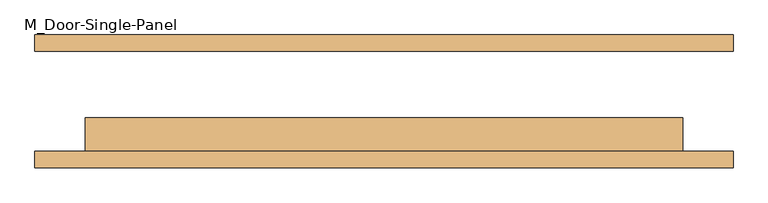
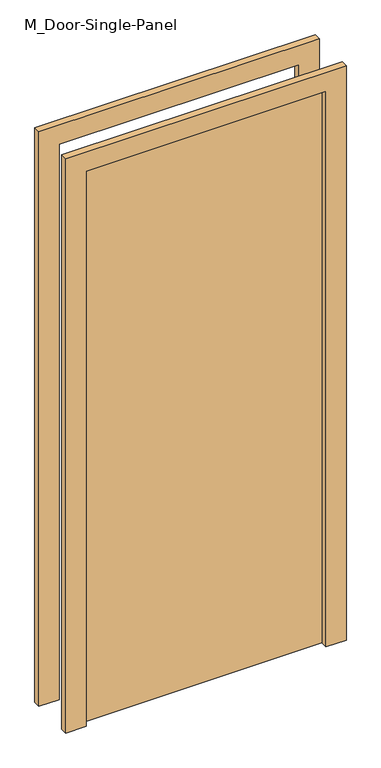
"""IFC4 building model written with IfcOpenShell, lengths in millimetres: door geometry, M_Door-Single-Panel."""

from ifc_helpers import new_model, si_unit, frame, origin, origin_with_axes, place, context, project, spatial, polyline, outline, extrude, source, transform, mapped, element, save


def m_door_single_panel_85b8a278(model_context):
    return source(origin(), model_context, "Body", "SweptSolid", [
        extrude(outline(polyline([(450.0, -25.0), (450.0, -75.0), (-450.0, -75.0), (-450.0, -25.0), (450.0, -25.0)])), origin_with_axes(), (0.0, 0.0, 1.0), 2200.0),
        extrude(outline(polyline([(2276.2, -526.2), (0.0, -526.2), (0.0, -450.0), (2200.0, -450.0), (2200.0, 450.0), (0.0, 450.0), (0.0, 526.2), (2276.2, 526.2), (2276.2, -526.2)])), frame((0.0, -100.0, 0.0), z_axis=(0.0, 1.0, 0.0), x_axis=(0.0, 0.0, 1.0)), (0.0, 0.0, 1.0), 25.0),
        extrude(outline(polyline([(2276.2, 526.2), (2276.2, -526.2), (0.0, -526.2), (0.0, -450.0), (2200.0, -450.0), (2200.0, 450.0), (0.0, 450.0), (0.0, 526.2), (2276.2, 526.2)])), frame((0.0, 75.0, 0.0), z_axis=(0.0, 1.0, 0.0), x_axis=(0.0, 0.0, 1.0)), (0.0, 0.0, 1.0), 25.0),
    ])


if __name__ == "__main__":
    model = new_model("IFC4")
    model_context = context("Model", 3, world=origin())
    ifc_project = project(units=[si_unit("LENGTHUNIT", "METRE", prefix="MILLI")], contexts=[model_context])
    site = spatial("IfcSite", under=ifc_project)
    building = spatial("IfcBuilding", under=site)
    placement = place(None, origin())
    m_door_single_panel_shape = m_door_single_panel_85b8a278(model_context)
    element("IfcDoor", 1, ObjectType="M_Door-Single-Panel", at=placement, inside=building, context=model_context, shape_type="MappedRepresentation", body=[
        mapped(m_door_single_panel_shape, transform((0.0, 0.0, 0.0), x_axis=(1.0, 0.0, 0.0), y_axis=(0.0, 1.0, 0.0), z_axis=(0.0, 0.0, 1.0))),
    ])
    save(model, "model.ifc")
